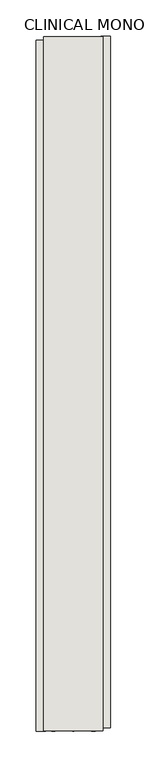
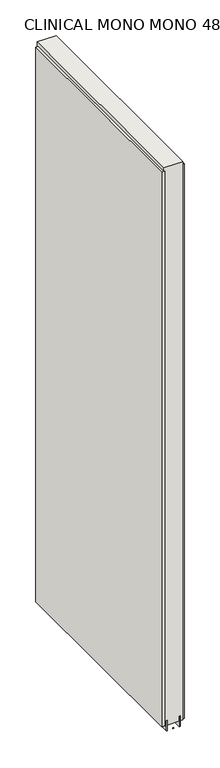
"""IFC4 building model written with IfcOpenShell, lengths in millimetres: wall geometry, CLINICAL MONO MONO 480977 : CLINICAL MONO MONO 480977."""

import ifcopenshell
import ifcopenshell.guid

model = None  # the IFC model being written
_history = None  # IfcOwnerHistory: only IFC2X3 demands one
_inside = {}  # id of a spatial element -> (the spatial element, [elements in it])
_under = {}  # id of a project, library or spatial element -> (it, [spatial elements below it])
_declared = {}  # id of a project -> (the project, [libraries it declares])
_typed = {}  # id of a type object -> (the type object, [elements of that type])
_made_of = {}  # id of a material, layer set ... -> (it, [elements and type objects made of it])


def new_model(schema):
    """Start an empty IFC model of exactly this schema.

    Asked for "IFC4X3", IfcOpenShell would pick the latest addendum, in which some entities
    have other attributes; the version numbers below select the first issue.
    IFC2X3 requires an IfcOwnerHistory on every rooted entity: one is made here for all.
    """
    global model, _history
    if schema == "IFC4X3":
        model = ifcopenshell.file(schema_version=(4, 3, 0, 0))
    else:
        model = ifcopenshell.file(schema=schema)
    _inside.clear()
    _under.clear()
    _declared.clear()
    _typed.clear()
    _made_of.clear()
    _history = None
    if model.schema == "IFC2X3":
        org = make("IfcOrganization", Name="unknown")
        user = make(
            "IfcPersonAndOrganization",
            ThePerson=make("IfcPerson", FamilyName="unknown"),
            TheOrganization=org,
        )
        app = make(
            "IfcApplication",
            ApplicationDeveloper=org,
            Version="unknown",
            ApplicationFullName="unknown",
            ApplicationIdentifier="unknown",
        )
        _history = make(
            "IfcOwnerHistory",
            OwningUser=user,
            OwningApplication=app,
            ChangeAction="ADDED",
            CreationDate=0,
        )
    return model


def make(cls, **values):
    """One entity of the class cls with the attributes given. An attribute that is None is left unset."""
    return model.create_entity(
        cls, **{name: value for name, value in values.items() if value is not None}
    )


def rooted(cls, **values):
    """An entity with a GlobalId (a new one), such as an element, a storey or a relation."""
    return make(cls, GlobalId=ifcopenshell.guid.new(), OwnerHistory=_history, **values)


def si_unit(unit_type, name, prefix=None):
    """IfcSIUnit, for example si_unit("LENGTHUNIT", "METRE", prefix="MILLI")."""
    return make("IfcSIUnit", UnitType=unit_type, Prefix=prefix, Name=name)


def assignment(units):
    """IfcUnitAssignment: the units of a project."""
    return None if units is None else make("IfcUnitAssignment", Units=units)


def point(xyz):
    """IfcCartesianPoint."""
    return None if xyz is None else make("IfcCartesianPoint", Coordinates=xyz)


def direction(xyz):
    """IfcDirection."""
    return None if xyz is None else make("IfcDirection", DirectionRatios=xyz)


def frame(location, z_axis=None, x_axis=None):
    """IfcAxis2Placement3D, a coordinate frame: its origin and axes. An axis left out is left unset."""
    return make(
        "IfcAxis2Placement3D",
        Location=point(location),
        Axis=direction(z_axis),
        RefDirection=direction(x_axis),
    )


def origin():
    """The frame at (0, 0, 0) with its axes left unset."""
    return frame((0.0, 0.0, 0.0))


def place(relative_to, where):
    """IfcLocalPlacement: puts the frame where relative to a parent placement (None: the world)."""
    return make(
        "IfcLocalPlacement", PlacementRelTo=relative_to, RelativePlacement=where
    )


def context(
    kind, dimensions, precision=None, world=None, true_north=None, identifier=None
):
    """IfcGeometricRepresentationContext, for example the 3D "Model" context."""
    return make(
        "IfcGeometricRepresentationContext",
        ContextIdentifier=identifier,
        ContextType=kind,
        CoordinateSpaceDimension=dimensions,
        Precision=precision,
        WorldCoordinateSystem=world,
        TrueNorth=true_north,
    )


def project(units=None, contexts=None):
    """IfcProject with its units and contexts."""
    return rooted(
        "IfcProject",
        Name="project",
        RepresentationContexts=contexts,
        UnitsInContext=assignment(units),
    )


def spatial(cls, under=None, at=None, **own):
    """A site, building, storey or space (cls), placed at a placement, below another one or the project."""
    s = rooted(cls, ObjectPlacement=at, **own)
    if under is not None:
        _under.setdefault(under.id(), (under, []))[1].append(s)
    return s


def polyline(points):
    """IfcPolyline through the points."""
    return make("IfcPolyline", Points=[point(p) for p in points])


def outline(outer, holes=None, kind="AREA"):
    """IfcArbitraryClosedProfileDef: a profile drawn as a closed curve; with holes, ...WithVoids."""
    if holes is None:
        return make("IfcArbitraryClosedProfileDef", ProfileType=kind, OuterCurve=outer)
    return make(
        "IfcArbitraryProfileDefWithVoids",
        ProfileType=kind,
        OuterCurve=outer,
        InnerCurves=holes,
    )


def extrude(swept, where, along, depth):
    """IfcExtrudedAreaSolid: the profile swept, set in the frame where, extruded along a direction by depth."""
    return make(
        "IfcExtrudedAreaSolid",
        SweptArea=swept,
        Position=where,
        ExtrudedDirection=direction(along),
        Depth=depth,
    )


def shape(context_of_items, identifier, shape_type, items):
    """IfcShapeRepresentation: the items that make up one representation, for example the "Body"."""
    return make(
        "IfcShapeRepresentation",
        ContextOfItems=context_of_items,
        RepresentationIdentifier=identifier,
        RepresentationType=shape_type,
        Items=items,
    )


def source(mapping_origin, context_of_items, identifier, shape_type, items):
    """IfcRepresentationMap: a shape defined once, which mapped items show again and again."""
    return make(
        "IfcRepresentationMap",
        MappingOrigin=mapping_origin,
        MappedRepresentation=shape(context_of_items, identifier, shape_type, items),
    )


def transform(
    local_origin,
    x_axis=None,
    y_axis=None,
    z_axis=None,
    scale=None,
    scale2=None,
    scale3=None,
    uniform=True,
):
    """IfcCartesianTransformationOperator3D, or its non-uniform kind. x_axis, y_axis, z_axis: its Axis1, 2, 3."""
    if uniform:
        return make(
            "IfcCartesianTransformationOperator3D",
            Axis1=direction(x_axis),
            Axis2=direction(y_axis),
            LocalOrigin=point(local_origin),
            Scale=scale,
            Axis3=direction(z_axis),
        )
    return make(
        "IfcCartesianTransformationOperator3DnonUniform",
        Axis1=direction(x_axis),
        Axis2=direction(y_axis),
        LocalOrigin=point(local_origin),
        Scale=scale,
        Axis3=direction(z_axis),
        Scale2=scale2,
        Scale3=scale3,
    )


def mapped(mapping_source, mapping_target):
    """IfcMappedItem: shows the shape of a source again, moved by a transform."""
    return make(
        "IfcMappedItem", MappingSource=mapping_source, MappingTarget=mapping_target
    )


def made_of(thing, what):
    """Note that an element or type object is made of a material, layer set ...; save() writes the relation."""
    if what is not None:
        _made_of.setdefault(what.id(), (what, []))[1].append(thing)
    return thing


def element(
    cls,
    number,
    at=None,
    inside=None,
    cuts=None,
    type_object=None,
    material=None,
    context=None,
    identifier="Body",
    shape_type=None,
    held_by="IfcProductDefinitionShape",
    body=None,
    shapes=None,
    **own,
):
    """One element of the class cls, such as IfcWall. Its Tag is "e" and its number.

    at: its placement. inside: the storey or other place that contains it. cuts: it is an
    opening in that element (IfcRelVoidsElement). A single representation is given by context,
    identifier, shape_type and body (its items); several are given by shapes. held_by: the class
    of the entity that holds the representations. save() writes the other relations.
    """
    e = rooted(cls, Tag="e%d" % number, ObjectPlacement=at, **own)
    if body is not None:
        shapes = [shape(context, identifier, shape_type, body)]
    if shapes is not None:
        e.Representation = make(held_by, Representations=shapes)
    if inside is not None:
        _inside.setdefault(inside.id(), (inside, []))[1].append(e)
    if cuts is not None:
        rooted(
            "IfcRelVoidsElement", RelatingBuildingElement=cuts, RelatedOpeningElement=e
        )
    if type_object is not None:
        _typed.setdefault(type_object.id(), (type_object, []))[1].append(e)
    return made_of(e, material)


def aggregate(whole, parts):
    """IfcRelAggregates: a whole, such as a stair, and the parts it consists of."""
    return rooted("IfcRelAggregates", RelatingObject=whole, RelatedObjects=parts)


def save(model, path):
    """Write the relations noted so far, then the file.

    IfcRelAggregates (storeys below a building ...), IfcRelContainedInSpatialStructure (elements
    in a storey), IfcRelDefinesByType, IfcRelAssociatesMaterial and IfcRelDeclares: one each for
    every whole, place, type object, material and project.
    """
    for whole, parts in _under.values():
        aggregate(whole, parts)
    for where, things in _inside.values():
        rooted(
            "IfcRelContainedInSpatialStructure",
            RelatedElements=things,
            RelatingStructure=where,
        )
    for kind, things in _typed.values():
        rooted("IfcRelDefinesByType", RelatedObjects=things, RelatingType=kind)
    for what, things in _made_of.values():
        rooted("IfcRelAssociatesMaterial", RelatedObjects=things, RelatingMaterial=what)
    for by, libraries in _declared.values():
        rooted("IfcRelDeclares", RelatingContext=by, RelatedDefinitions=libraries)
    model.write(path)


def clinical_mono_mono_480977_clinical_mono_mono_480977_8d3a0858(model_context):
    return source(origin(), model_context, "Body", "SweptSolid", [
        extrude(outline(polyline([(61066.082211, -51814.5377728), (61066.082211, -51817.0777728), (61063.542211, -51817.0777728), (61063.542211, -51814.5377728), (61066.082211, -51814.5377728)])), frame((0.0, 0.0, 4419.6), z_axis=(0.0, 0.0, 1.0), x_axis=(1.0, 0.0, 0.0)), (0.0, 0.0, 1.0), 2.54),
        extrude(outline(polyline([(61014.012211, -51817.5447137), (61014.012211, -50870.4446775), (61026.712211, -50870.4446775), (61026.712211, -51817.5447137), (61014.012211, -51817.5447137)])), frame((0.0, 0.0, 4445.0), z_axis=(0.0, 0.0, 1.0), x_axis=(1.0, 0.0, 0.0)), (0.0, 0.0, 1.0), 2545.0498756),
        extrude(outline(polyline([(61115.612211, -50865.5147407), (61115.612211, -51812.6147769), (61102.912211, -51812.6147769), (61102.912211, -50865.5147407), (61115.612211, -50865.5147407)])), frame((0.0, 0.0, 4445.0), z_axis=(0.0, 0.0, 1.0), x_axis=(1.0, 0.0, 0.0)), (0.0, 0.0, 1.0), 2545.0498756),
        extrude(outline(polyline([(61039.7284664, -50865.9897588), (61039.7284664, -51817.0665968), (61034.649711, -51817.0665968), (61034.649711, -50865.9897588), (61039.7284664, -50865.9897588)])), frame((0.0, 0.0, 4418.6602), z_axis=(0.0, 0.0, 1.0), x_axis=(1.0, 0.0, 0.0)), (0.0, 0.0, 1.0), 47.625),
        extrude(outline(polyline([(61039.7284664, -50865.9897588), (61039.7284664, -51817.0665968), (61034.649711, -51817.0665968), (61034.649711, -50865.9897588), (61039.7284664, -50865.9897588)])), frame((0.0, 0.0, 4418.6602), z_axis=(0.0, 0.0, 1.0), x_axis=(1.0, 0.0, 0.0)), (0.0, 0.0, 1.0), 47.625),
        extrude(outline(polyline([(61089.8959556, -51817.0665968), (61089.8959556, -50865.9897588), (61094.974711, -50865.9897588), (61094.974711, -51817.0665968), (61089.8959556, -51817.0665968)])), frame((0.0, 0.0, 4418.6602), z_axis=(0.0, 0.0, 1.0), x_axis=(1.0, 0.0, 0.0)), (0.0, 0.0, 1.0), 47.625),
        extrude(outline(polyline([(61089.8959556, -51817.0665968), (61089.8959556, -50865.9897588), (61094.974711, -50865.9897588), (61094.974711, -51817.0665968), (61089.8959556, -51817.0665968)])), frame((0.0, 0.0, 4418.6602), z_axis=(0.0, 0.0, 1.0), x_axis=(1.0, 0.0, 0.0)), (0.0, 0.0, 1.0), 47.625),
        extrude(outline(polyline([(61024.1573266, -50865.9897588), (61105.4670954, -50865.9897588), (61105.4670954, -51817.0665968), (61024.1573266, -51817.0665968), (61024.1573266, -50865.9897588)])), frame((0.0, 0.0, 4445.0), z_axis=(0.0, 0.0, 1.0), x_axis=(1.0, 0.0, 0.0)), (0.0, 0.0, 1.0), 2562.4536762),
    ])


if __name__ == "__main__":
    model = new_model("IFC4")
    model_context = context("Model", 3, world=origin())
    ifc_project = project(units=[si_unit("LENGTHUNIT", "METRE", prefix="MILLI")], contexts=[model_context])
    site = spatial("IfcSite", under=ifc_project)
    building = spatial("IfcBuilding", under=site)
    placement = place(None, origin())
    clinical_mono_mono_480977_clinical_mono_mono_480977_shape = clinical_mono_mono_480977_clinical_mono_mono_480977_8d3a0858(model_context)
    element("IfcWall", 1, ObjectType="CLINICAL MONO MONO 480977 : CLINICAL MONO MONO 480977", at=placement, inside=building, context=model_context, shape_type="MappedRepresentation", body=[
        mapped(clinical_mono_mono_480977_clinical_mono_mono_480977_shape, transform((0.0, 0.0, 0.0), x_axis=(1.0, 0.0, 0.0), y_axis=(0.0, 1.0, 0.0), z_axis=(0.0, 0.0, 1.0))),
    ])
    save(model, "model.ifc")
